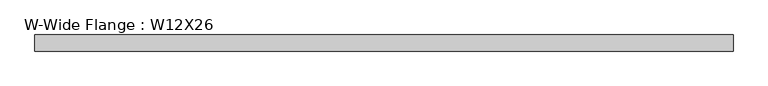
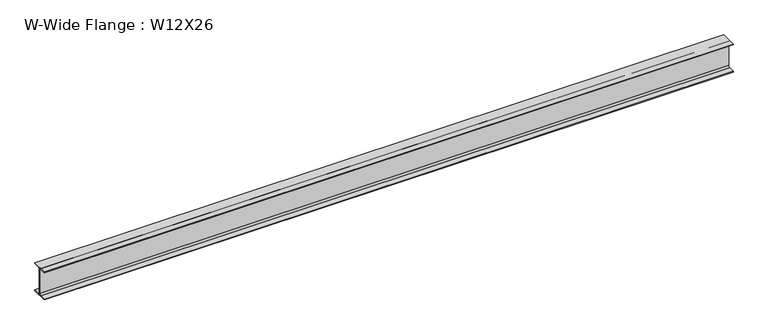
"""IFC4 building model written with IfcOpenShell, lengths in millimetres: beam geometry, W-Wide Flange : W12X26."""

from ifc_helpers import new_model, si_unit, point, frame, frame_2d, origin, place, context, project, spatial, polyline, circle_curve, trimmed, segment, composite_curve, outline, extrude, source, transform, mapped, element, save


def w_wide_flange_w12x26_6a9aa18c(model_context):
    return source(origin(), model_context, "Body", "SweptSolid", [
        extrude(outline(composite_curve([segment(polyline([(82.4011719, -145.5539063), (82.4011719, -155.178125), (-82.4011719, -155.178125), (-82.4011719, -145.5539063), (-20.2902344, -145.5539063)]), True, "CONTINUOUS"), segment(trimmed(circle_curve(frame_2d((-20.2902344, -128.190625)), 17.3632812), [point((-20.2902344, -145.5539063))], [point((-2.9269531, -128.190625))], True, "CARTESIAN"), True, "CONTINUOUS"), segment(polyline([(-2.9269531, -128.190625), (-2.9269531, 128.190625)]), True, "CONTINUOUS"), segment(trimmed(circle_curve(frame_2d((-20.2902344, 128.190625)), 17.3632812), [point((-2.9269531, 128.190625))], [point((-20.2902344, 145.5539062))], True, "CARTESIAN"), True, "CONTINUOUS"), segment(polyline([(-20.2902344, 145.5539062), (-82.4011719, 145.5539062), (-82.4011719, 155.178125), (82.4011719, 155.178125), (82.4011719, 145.5539062), (20.2902344, 145.5539062)]), True, "CONTINUOUS"), segment(trimmed(circle_curve(frame_2d((20.2902344, 128.190625)), 17.3632812), [point((20.2902344, 145.5539062))], [point((2.9269531, 128.190625))], True, "CARTESIAN"), True, "CONTINUOUS"), segment(polyline([(2.9269531, 128.190625), (2.9269531, -128.190625)]), True, "CONTINUOUS"), segment(trimmed(circle_curve(frame_2d((20.2902344, -128.190625)), 17.3632812), [point((2.9269531, -128.190625))], [point((20.2902344, -145.5539063))], True, "CARTESIAN"), True, "CONTINUOUS"), segment(polyline([(20.2902344, -145.5539063), (82.4011719, -145.5539063)]), True, "CONTINUOUS")], self_intersect=False)), frame((-3663.8011719, 0.0, 0.0), z_axis=(1.0, 0.0, 0.0), x_axis=(0.0, 1.0, 0.0)), (0.0, 0.0, 1.0), 7150.1),
    ])


if __name__ == "__main__":
    model = new_model("IFC4")
    model_context = context("Model", 3, world=origin())
    ifc_project = project(units=[si_unit("LENGTHUNIT", "METRE", prefix="MILLI")], contexts=[model_context])
    site = spatial("IfcSite", under=ifc_project)
    building = spatial("IfcBuilding", under=site)
    placement = place(None, origin())
    w_wide_flange_w12x26_shape = w_wide_flange_w12x26_6a9aa18c(model_context)
    element("IfcBeam", 1, ObjectType="W-Wide Flange : W12X26", at=placement, inside=building, context=model_context, shape_type="MappedRepresentation", body=[
        mapped(w_wide_flange_w12x26_shape, transform((0.0, 0.0, 0.0), x_axis=(1.0, 0.0, 0.0), y_axis=(0.0, 1.0, 0.0), z_axis=(0.0, 0.0, 1.0))),
    ])
    save(model, "model.ifc")
